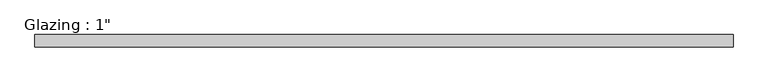
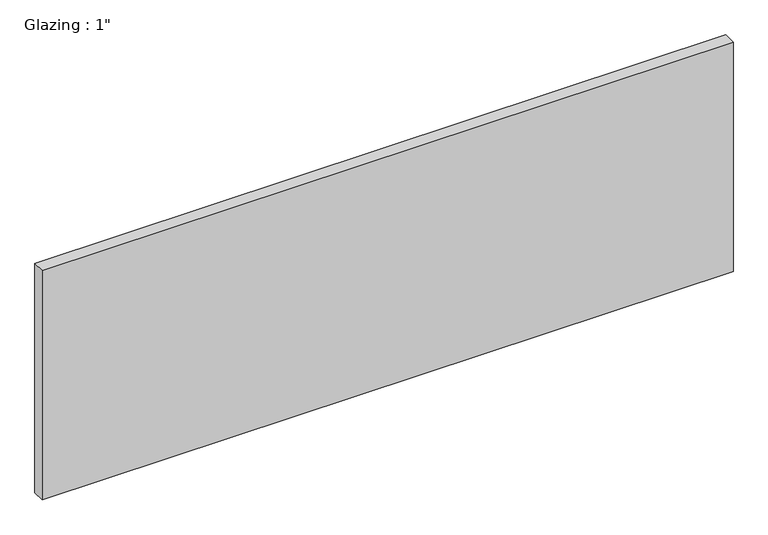
"""IFC4 building model written with IfcOpenShell, lengths in millimetres: plate geometry."""

from ifc_helpers import new_model, si_unit, origin, origin_with_axes, place, context, project, spatial, polyline, outline, extrude, source, transform, mapped, element, save


def plate_1ea3f695(model_context):
    return source(origin(), model_context, "Body", "SweptSolid", [
        extrude(outline(polyline([(709.0714792, 12.7), (709.0714792, -12.7), (-709.0714792, -12.7), (-709.0714792, 12.7), (709.0714792, 12.7)])), origin_with_axes(), (0.0, 0.0, 1.0), 497.9851068),
    ])


if __name__ == "__main__":
    model = new_model("IFC4")
    model_context = context("Model", 3, world=origin())
    ifc_project = project(units=[si_unit("LENGTHUNIT", "METRE", prefix="MILLI")], contexts=[model_context])
    site = spatial("IfcSite", under=ifc_project)
    building = spatial("IfcBuilding", under=site)
    placement = place(None, origin())
    plate_shape = plate_1ea3f695(model_context)
    element("IfcPlate", 1, ObjectType="Glazing : 1\"", at=placement, inside=building, context=model_context, shape_type="MappedRepresentation", body=[
        mapped(plate_shape, transform((0.0, 0.0, 0.0), x_axis=(1.0, 0.0, 0.0), y_axis=(0.0, 1.0, 0.0), z_axis=(0.0, 0.0, 1.0))),
    ])
    save(model, "model.ifc")
